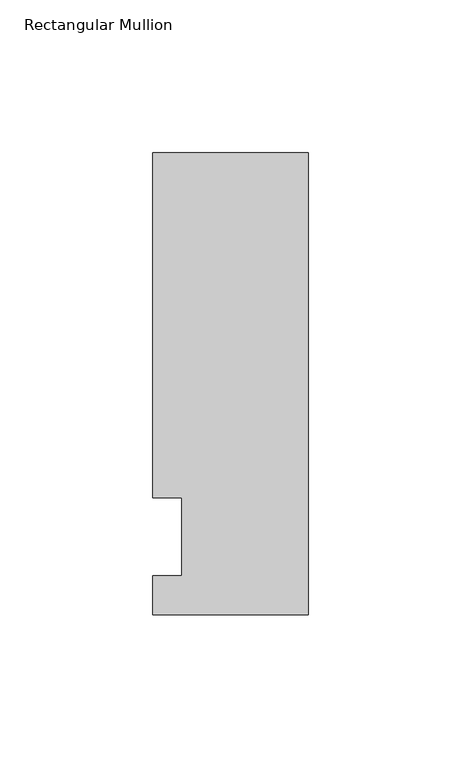
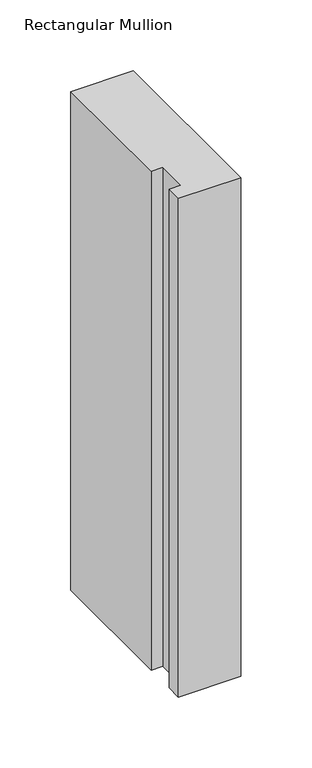
"""IFC4 building model written with IfcOpenShell, lengths in millimetres: member geometry, Rectangular Mullion."""

import ifcopenshell
import ifcopenshell.guid

model = None  # the IFC model being written
_history = None  # IfcOwnerHistory: only IFC2X3 demands one
_inside = {}  # id of a spatial element -> (the spatial element, [elements in it])
_under = {}  # id of a project, library or spatial element -> (it, [spatial elements below it])
_declared = {}  # id of a project -> (the project, [libraries it declares])
_typed = {}  # id of a type object -> (the type object, [elements of that type])
_made_of = {}  # id of a material, layer set ... -> (it, [elements and type objects made of it])


def new_model(schema):
    """Start an empty IFC model of exactly this schema.

    Asked for "IFC4X3", IfcOpenShell would pick the latest addendum, in which some entities
    have other attributes; the version numbers below select the first issue.
    IFC2X3 requires an IfcOwnerHistory on every rooted entity: one is made here for all.
    """
    global model, _history
    if schema == "IFC4X3":
        model = ifcopenshell.file(schema_version=(4, 3, 0, 0))
    else:
        model = ifcopenshell.file(schema=schema)
    _inside.clear()
    _under.clear()
    _declared.clear()
    _typed.clear()
    _made_of.clear()
    _history = None
    if model.schema == "IFC2X3":
        org = make("IfcOrganization", Name="unknown")
        user = make(
            "IfcPersonAndOrganization",
            ThePerson=make("IfcPerson", FamilyName="unknown"),
            TheOrganization=org,
        )
        app = make(
            "IfcApplication",
            ApplicationDeveloper=org,
            Version="unknown",
            ApplicationFullName="unknown",
            ApplicationIdentifier="unknown",
        )
        _history = make(
            "IfcOwnerHistory",
            OwningUser=user,
            OwningApplication=app,
            ChangeAction="ADDED",
            CreationDate=0,
        )
    return model


def make(cls, **values):
    """One entity of the class cls with the attributes given. An attribute that is None is left unset."""
    return model.create_entity(
        cls, **{name: value for name, value in values.items() if value is not None}
    )


def rooted(cls, **values):
    """An entity with a GlobalId (a new one), such as an element, a storey or a relation."""
    return make(cls, GlobalId=ifcopenshell.guid.new(), OwnerHistory=_history, **values)


def si_unit(unit_type, name, prefix=None):
    """IfcSIUnit, for example si_unit("LENGTHUNIT", "METRE", prefix="MILLI")."""
    return make("IfcSIUnit", UnitType=unit_type, Prefix=prefix, Name=name)


def assignment(units):
    """IfcUnitAssignment: the units of a project."""
    return None if units is None else make("IfcUnitAssignment", Units=units)


def point(xyz):
    """IfcCartesianPoint."""
    return None if xyz is None else make("IfcCartesianPoint", Coordinates=xyz)


def direction(xyz):
    """IfcDirection."""
    return None if xyz is None else make("IfcDirection", DirectionRatios=xyz)


def frame(location, z_axis=None, x_axis=None):
    """IfcAxis2Placement3D, a coordinate frame: its origin and axes. An axis left out is left unset."""
    return make(
        "IfcAxis2Placement3D",
        Location=point(location),
        Axis=direction(z_axis),
        RefDirection=direction(x_axis),
    )


def origin():
    """The frame at (0, 0, 0) with its axes left unset."""
    return frame((0.0, 0.0, 0.0))


def place(relative_to, where):
    """IfcLocalPlacement: puts the frame where relative to a parent placement (None: the world)."""
    return make(
        "IfcLocalPlacement", PlacementRelTo=relative_to, RelativePlacement=where
    )


def context(
    kind, dimensions, precision=None, world=None, true_north=None, identifier=None
):
    """IfcGeometricRepresentationContext, for example the 3D "Model" context."""
    return make(
        "IfcGeometricRepresentationContext",
        ContextIdentifier=identifier,
        ContextType=kind,
        CoordinateSpaceDimension=dimensions,
        Precision=precision,
        WorldCoordinateSystem=world,
        TrueNorth=true_north,
    )


def project(units=None, contexts=None):
    """IfcProject with its units and contexts."""
    return rooted(
        "IfcProject",
        Name="project",
        RepresentationContexts=contexts,
        UnitsInContext=assignment(units),
    )


def spatial(cls, under=None, at=None, **own):
    """A site, building, storey or space (cls), placed at a placement, below another one or the project."""
    s = rooted(cls, ObjectPlacement=at, **own)
    if under is not None:
        _under.setdefault(under.id(), (under, []))[1].append(s)
    return s


def polyline(points):
    """IfcPolyline through the points."""
    return make("IfcPolyline", Points=[point(p) for p in points])


def outline(outer, holes=None, kind="AREA"):
    """IfcArbitraryClosedProfileDef: a profile drawn as a closed curve; with holes, ...WithVoids."""
    if holes is None:
        return make("IfcArbitraryClosedProfileDef", ProfileType=kind, OuterCurve=outer)
    return make(
        "IfcArbitraryProfileDefWithVoids",
        ProfileType=kind,
        OuterCurve=outer,
        InnerCurves=holes,
    )


def extrude(swept, where, along, depth):
    """IfcExtrudedAreaSolid: the profile swept, set in the frame where, extruded along a direction by depth."""
    return make(
        "IfcExtrudedAreaSolid",
        SweptArea=swept,
        Position=where,
        ExtrudedDirection=direction(along),
        Depth=depth,
    )


def shape(context_of_items, identifier, shape_type, items):
    """IfcShapeRepresentation: the items that make up one representation, for example the "Body"."""
    return make(
        "IfcShapeRepresentation",
        ContextOfItems=context_of_items,
        RepresentationIdentifier=identifier,
        RepresentationType=shape_type,
        Items=items,
    )


def source(mapping_origin, context_of_items, identifier, shape_type, items):
    """IfcRepresentationMap: a shape defined once, which mapped items show again and again."""
    return make(
        "IfcRepresentationMap",
        MappingOrigin=mapping_origin,
        MappedRepresentation=shape(context_of_items, identifier, shape_type, items),
    )


def transform(
    local_origin,
    x_axis=None,
    y_axis=None,
    z_axis=None,
    scale=None,
    scale2=None,
    scale3=None,
    uniform=True,
):
    """IfcCartesianTransformationOperator3D, or its non-uniform kind. x_axis, y_axis, z_axis: its Axis1, 2, 3."""
    if uniform:
        return make(
            "IfcCartesianTransformationOperator3D",
            Axis1=direction(x_axis),
            Axis2=direction(y_axis),
            LocalOrigin=point(local_origin),
            Scale=scale,
            Axis3=direction(z_axis),
        )
    return make(
        "IfcCartesianTransformationOperator3DnonUniform",
        Axis1=direction(x_axis),
        Axis2=direction(y_axis),
        LocalOrigin=point(local_origin),
        Scale=scale,
        Axis3=direction(z_axis),
        Scale2=scale2,
        Scale3=scale3,
    )


def mapped(mapping_source, mapping_target):
    """IfcMappedItem: shows the shape of a source again, moved by a transform."""
    return make(
        "IfcMappedItem", MappingSource=mapping_source, MappingTarget=mapping_target
    )


def made_of(thing, what):
    """Note that an element or type object is made of a material, layer set ...; save() writes the relation."""
    if what is not None:
        _made_of.setdefault(what.id(), (what, []))[1].append(thing)
    return thing


def element(
    cls,
    number,
    at=None,
    inside=None,
    cuts=None,
    type_object=None,
    material=None,
    context=None,
    identifier="Body",
    shape_type=None,
    held_by="IfcProductDefinitionShape",
    body=None,
    shapes=None,
    **own,
):
    """One element of the class cls, such as IfcWall. Its Tag is "e" and its number.

    at: its placement. inside: the storey or other place that contains it. cuts: it is an
    opening in that element (IfcRelVoidsElement). A single representation is given by context,
    identifier, shape_type and body (its items); several are given by shapes. held_by: the class
    of the entity that holds the representations. save() writes the other relations.
    """
    e = rooted(cls, Tag="e%d" % number, ObjectPlacement=at, **own)
    if body is not None:
        shapes = [shape(context, identifier, shape_type, body)]
    if shapes is not None:
        e.Representation = make(held_by, Representations=shapes)
    if inside is not None:
        _inside.setdefault(inside.id(), (inside, []))[1].append(e)
    if cuts is not None:
        rooted(
            "IfcRelVoidsElement", RelatingBuildingElement=cuts, RelatedOpeningElement=e
        )
    if type_object is not None:
        _typed.setdefault(type_object.id(), (type_object, []))[1].append(e)
    return made_of(e, material)


def aggregate(whole, parts):
    """IfcRelAggregates: a whole, such as a stair, and the parts it consists of."""
    return rooted("IfcRelAggregates", RelatingObject=whole, RelatedObjects=parts)


def save(model, path):
    """Write the relations noted so far, then the file.

    IfcRelAggregates (storeys below a building ...), IfcRelContainedInSpatialStructure (elements
    in a storey), IfcRelDefinesByType, IfcRelAssociatesMaterial and IfcRelDeclares: one each for
    every whole, place, type object, material and project.
    """
    for whole, parts in _under.values():
        aggregate(whole, parts)
    for where, things in _inside.values():
        rooted(
            "IfcRelContainedInSpatialStructure",
            RelatedElements=things,
            RelatingStructure=where,
        )
    for kind, things in _typed.values():
        rooted("IfcRelDefinesByType", RelatedObjects=things, RelatingType=kind)
    for what, things in _made_of.values():
        rooted("IfcRelAssociatesMaterial", RelatedObjects=things, RelatingMaterial=what)
    for by, libraries in _declared.values():
        rooted("IfcRelDeclares", RelatingContext=by, RelatedDefinitions=libraries)
    model.write(path)


def rectangular_mullion_c2099e56(model_context):
    return source(origin(), model_context, "Body", "SweptSolid", [
        extrude(outline(polyline([(-50.8, -25.5984375), (-50.8, -12.7), (-41.275, -12.7), (-41.275, 12.7), (-50.8, 12.7), (-50.8, 125.6109375), (0.0, 125.6109375), (0.0, -25.5984375), (-50.8, -25.5984375)])), frame((0.0, 0.0, -429.1478828), z_axis=(0.0, 0.0, 1.0), x_axis=(1.0, 0.0, 0.0)), (0.0, 0.0, 1.0), 429.1478828),
    ])


if __name__ == "__main__":
    model = new_model("IFC4")
    model_context = context("Model", 3, world=origin())
    ifc_project = project(units=[si_unit("LENGTHUNIT", "METRE", prefix="MILLI")], contexts=[model_context])
    site = spatial("IfcSite", under=ifc_project)
    building = spatial("IfcBuilding", under=site)
    placement = place(None, origin())
    rectangular_mullion_shape = rectangular_mullion_c2099e56(model_context)
    element("IfcMember", 1, ObjectType="Rectangular Mullion", at=placement, inside=building, context=model_context, shape_type="MappedRepresentation", body=[
        mapped(rectangular_mullion_shape, transform((0.0, 0.0, 0.0), x_axis=(1.0, 0.0, 0.0), y_axis=(0.0, 1.0, 0.0), z_axis=(0.0, 0.0, 1.0))),
    ])
    save(model, "model.ifc")
